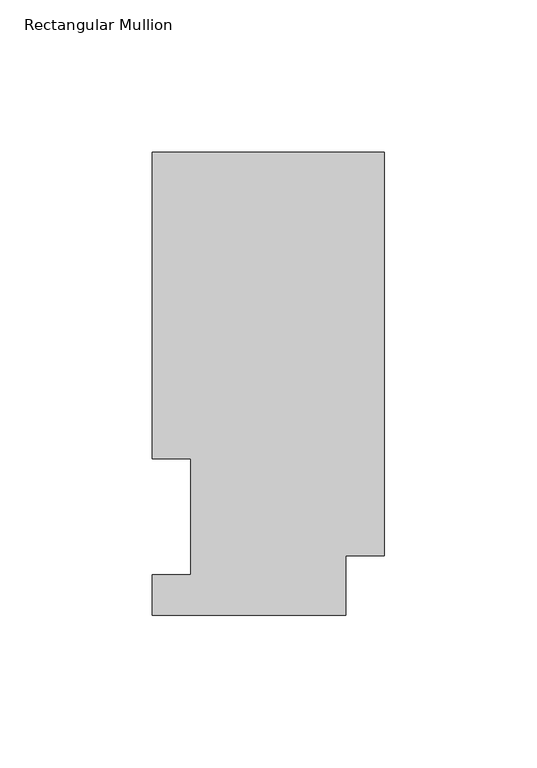
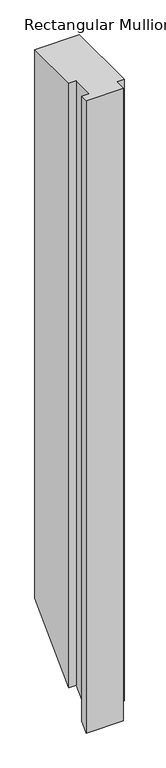
"""IFC4 building model written with IfcOpenShell, lengths in millimetres: member geometry, Rectangular Mullion."""

from ifc_helpers import new_model, si_unit, origin, place, context, project, spatial, faceted_brep, source, transform, mapped, element, save


def rectangular_mullion_4702c80b(model_context):
    return source(origin(), model_context, "Body", "Brep", [
        faceted_brep([(0.0, 151.8147517, 0.0), (-76.2, 151.8147517, 0.0), (-76.2, 51.2053517, 0.0), (-63.5127, 51.2053517, 0.0), (-63.5127, 13.1053517, 0.0), (-76.2, 13.1053517, 0.0), (-76.2, -0.0772483, 0.0), (-12.7, -0.0772483, 0.0), (-12.7, 19.4553517, 0.0), (0.0, 19.4553517, 0.0), (0.0, 151.8147517, -991.1987421), (-76.2, 151.8147517, -991.1987421), (-76.2, 51.2053517, -1091.8081421), (-63.5127, 51.2053517, -1091.8081421), (-63.5127, 13.1053517, -1129.9081421), (-76.2, 13.1053517, -1129.9081421), (-76.2, -0.0772483, -1143.0907421), (-12.7, -0.0772483, -1143.0907421), (-12.7, 19.4553517, -1123.5581421), (0.0, 19.4553517, -1123.5581421)], [[[0, 1, 2, 3, 4, 5, 6, 7, 8, 9]], [[1, 0, 10, 11]], [[2, 1, 11, 12]], [[3, 2, 12, 13]], [[4, 3, 13, 14]], [[5, 4, 14, 15]], [[6, 5, 15, 16]], [[7, 6, 16, 17]], [[8, 7, 17, 18]], [[9, 8, 18, 19]], [[0, 9, 19, 10]], [[10, 19, 18, 17, 16, 15, 14, 13, 12, 11]]]),
    ])


if __name__ == "__main__":
    model = new_model("IFC4")
    model_context = context("Model", 3, world=origin())
    ifc_project = project(units=[si_unit("LENGTHUNIT", "METRE", prefix="MILLI")], contexts=[model_context])
    site = spatial("IfcSite", under=ifc_project)
    building = spatial("IfcBuilding", under=site)
    placement = place(None, origin())
    rectangular_mullion_shape = rectangular_mullion_4702c80b(model_context)
    element("IfcMember", 1, ObjectType="Rectangular Mullion", at=placement, inside=building, context=model_context, shape_type="MappedRepresentation", body=[
        mapped(rectangular_mullion_shape, transform((0.0, 0.0, 0.0), x_axis=(1.0, 0.0, 0.0), y_axis=(0.0, 1.0, 0.0), z_axis=(0.0, 0.0, 1.0))),
    ])
    save(model, "model.ifc")
